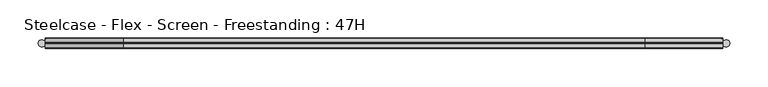
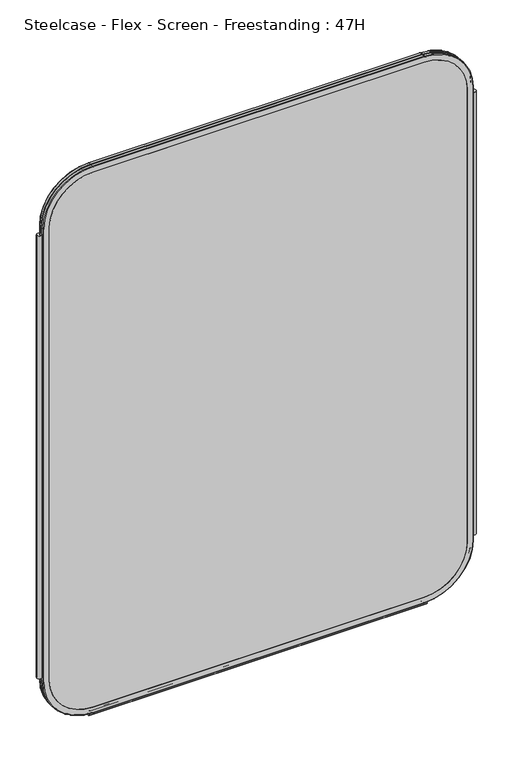
"""IFC4 building model written with IfcOpenShell, lengths in millimetres: furniture geometry, Steelcase - Flex - Screen - Freestanding : 47H."""

from ifc_helpers import new_model, si_unit, point, frame, frame_2d, origin, place, context, project, spatial, polyline, circle_curve, ellipse_curve, trimmed, segment, composite_curve, outline, extrude, source, transform, mapped, element, save
from ifc_brep_helpers import plane_surface, cylinder_surface, revolved_surface, advanced_brep


def steelcase_flex_screen_freestanding_47h_c3e81d6d(model_context):
    return source(origin(), model_context, "Body", "SolidModel", [
        extrude(outline(composite_curve([segment(trimmed(circle_curve(frame_2d((4.5307839, 0.0)), 4.572), [point((-0.0412161, 0.0))], [point((9.1027839, 0.0))], False, "CARTESIAN"), True, "CONTINUOUS"), segment(trimmed(circle_curve(frame_2d((4.5307839, 0.0)), 4.572), [point((9.1027839, 0.0))], [point((-0.0412161, 0.0))], False, "CARTESIAN"), True, "CONTINUOUS")], self_intersect=False)), frame((0.0, 0.0, 115.57), z_axis=(0.0, 0.0, 1.0), x_axis=(1.0, 0.0, 0.0)), (0.0, 0.0, 1.0), 962.66),
        extrude(outline(composite_curve([segment(trimmed(circle_curve(frame_2d((898.7749587, 0.0)), 4.572), [point((894.2029587, 0.0))], [point((903.3469587, 0.0))], False, "CARTESIAN"), True, "CONTINUOUS"), segment(trimmed(circle_curve(frame_2d((898.7749587, 0.0)), 4.572), [point((903.3469587, 0.0))], [point((894.2029587, 0.0))], False, "CARTESIAN"), True, "CONTINUOUS")], self_intersect=False)), frame((0.0, 0.0, 115.57), z_axis=(0.0, 0.0, 1.0), x_axis=(1.0, 0.0, 0.0)), (0.0, 0.0, 1.0), 962.66),
        extrude(outline(composite_curve([segment(trimmed(circle_curve(frame_2d((3.5, 2.4751953)), 2.5), [point((3.5, 4.9751953))], [point((1.4656663, 1.0220998))], False, "CARTESIAN"), True, "CONTINUOUS"), segment(trimmed(circle_curve(frame_2d((0.0, -0.0248047)), 1.8011626), [point((1.4656663, 1.0220998))], [point((-1.4656663, 1.0220998))], True, "CARTESIAN"), True, "CONTINUOUS"), segment(trimmed(circle_curve(frame_2d((-3.5, 2.4751953)), 2.5), [point((-1.4656663, 1.0220998))], [point((-3.5, 4.9751953))], False, "CARTESIAN"), True, "CONTINUOUS"), segment(trimmed(circle_curve(frame_2d((-3.5, 4.4751953)), 0.5), [point((-3.5, 4.9751953))], [point((-3.5, 3.9751953))], False, "CARTESIAN"), True, "CONTINUOUS"), segment(trimmed(circle_curve(frame_2d((-3.5, 2.4751953)), 1.5), [point((-3.5, 3.9751953))], [point((-2.3025096, 1.5718589))], True, "CARTESIAN"), True, "CONTINUOUS"), segment(trimmed(circle_curve(frame_2d((-10.3325937, 7.629417)), 10.0586411), [point((-2.3025096, 1.5718589))], [point((-0.714976, 4.6836248))], True, "CARTESIAN"), True, "CONTINUOUS"), segment(trimmed(circle_curve(frame_2d((0.0, 4.4646339)), 0.7477618), [point((-0.714976, 4.6836248))], [point((0.714976, 4.6836248))], False, "CARTESIAN"), True, "CONTINUOUS"), segment(trimmed(circle_curve(frame_2d((10.3325937, 7.629417)), 10.0586411), [point((0.714976, 4.6836248))], [point((2.3025096, 1.5718589))], True, "CARTESIAN"), True, "CONTINUOUS"), segment(trimmed(circle_curve(frame_2d((3.5, 2.4751953)), 1.5), [point((2.3025096, 1.5718589))], [point((3.5, 3.9751953))], True, "CARTESIAN"), True, "CONTINUOUS"), segment(trimmed(circle_curve(frame_2d((3.5, 4.4751953)), 0.5), [point((3.5, 3.9751953))], [point((3.5, 4.9751953))], False, "CARTESIAN"), True, "CONTINUOUS")], self_intersect=False)), frame((104.1640108, 0.0, 0.0), z_axis=(1.0, 0.0, 0.0), x_axis=(0.0, 1.0, 0.0)), (0.0, 0.0, 1.0), 694.9777209),
        advanced_brep(
        [(9.9273521, 0.0, 1092.2), (9.9273521, 0.0, 106.5996464), (110.7653521, 0.0, 5.7616464), (792.5652086, 0.0, 5.7616464), (893.4032086, 0.0, 106.5996464), (893.4032086, 0.0, 1092.2), (792.5652086, 0.0, 1193.038), (110.7653521, 0.0, 1193.038), (792.5652086, 0.0, 17.6996464), (110.7653521, 0.0, 17.6996464), (21.8653521, 0.0, 106.5996464), (21.8653521, 0.0, 1092.2), (110.7653521, 0.0, 1181.1), (792.5652086, 0.0, 1181.1), (881.4652086, 0.0, 1092.2), (881.4652086, 0.0, 106.5996464), (110.7653521, 0.762, 1193.8), (9.1653521, 0.762, 1092.2), (110.7653521, 6.096, 1193.8), (9.1653521, 6.096, 1092.2), (110.7653521, 6.858, 1193.038), (9.9273521, 6.858, 1092.2), (21.8653521, 6.858, 1092.2), (110.7653521, 6.858, 1181.1), (792.5652086, 0.762, 1193.8), (792.5652086, 6.096, 1193.8), (792.5652086, 6.858, 1193.038), (792.5652086, 6.858, 1181.1), (894.1652086, 0.762, 1092.2), (894.1652086, 6.096, 1092.2), (893.4032086, 6.858, 1092.2), (881.4652086, 6.858, 1092.2), (894.1652086, 0.762, 106.5996464), (894.1652086, 6.096, 106.5996464), (893.4032086, 6.858, 106.5996464), (881.4652086, 6.858, 106.5996464), (792.5652086, 0.762, 4.9996464), (792.5652086, 6.096, 4.9996464), (792.5652086, 6.858, 5.7616464), (792.5652086, 6.858, 17.6996464), (110.7653521, 0.762, 4.9996464), (110.7653521, 6.096, 4.9996464), (110.7653521, 6.858, 5.7616464), (110.7653521, 6.858, 17.6996464), (9.1653521, 0.762, 106.5996464), (9.1653521, 6.096, 106.5996464), (9.9273521, 6.858, 106.5996464), (21.8653521, 6.858, 106.5996464)],
        [
            (0, 1),
            (1, 2, circle_curve(frame((110.7653521, 0.0, 106.5996464), z_axis=(0.0, -1.0, 0.0), x_axis=(0.0, 0.0, -1.0)), 100.838)),
            (2, 3),
            (3, 4, circle_curve(frame((792.5652086, 0.0, 106.5996464), z_axis=(0.0, -1.0, 0.0), x_axis=(1.0, 0.0, 0.0)), 100.838)),
            (4, 5),
            (5, 6, circle_curve(frame((792.5652086, 0.0, 1092.2), z_axis=(0.0, -1.0, 0.0), x_axis=(0.0, 0.0, 1.0)), 100.838)),
            (6, 7),
            (7, 0, circle_curve(frame((110.7653521, 0.0, 1092.2), z_axis=(0.0, -1.0, 0.0), x_axis=(-1.0, 0.0, 0.0)), 100.838)),
            (8, 9),
            (9, 10, circle_curve(frame((110.7653521, 0.0, 106.5996464), z_axis=(0.0, 1.0, 0.0), x_axis=(0.0, 0.0, -1.0)), 88.9)),
            (10, 11),
            (11, 12, circle_curve(frame((110.7653521, 0.0, 1092.2), z_axis=(0.0, 1.0, 0.0), x_axis=(-1.0, 0.0, 0.0)), 88.9)),
            (12, 13),
            (13, 14, circle_curve(frame((792.5652086, 0.0, 1092.2), z_axis=(0.0, 1.0, 0.0), x_axis=(0.0, 0.0, 1.0)), 88.9)),
            (14, 15),
            (15, 8, circle_curve(frame((792.5652086, 0.0, 106.5996464), z_axis=(0.0, 1.0, 0.0), x_axis=(1.0, 0.0, 0.0)), 88.9)),
            (16, 17, circle_curve(frame((110.7653521, 0.762, 1092.2), z_axis=(0.0, -1.0, 0.0), x_axis=(-1.0, 0.0, 0.0)), 101.6)),
            (17, 0, circle_curve(frame((9.9273521, 0.762, 1092.2), z_axis=(0.0, 0.0, 1.0), x_axis=(-1.0, 0.0, 0.0)), 0.762)),
            (7, 16, circle_curve(frame((110.7653521, 0.762, 1193.038), z_axis=(-1.0, 0.0, 0.0), x_axis=(0.0, 0.0, 1.0)), 0.762)),
            (18, 19, circle_curve(frame((110.7653521, 6.096, 1092.2), z_axis=(0.0, -1.0, 0.0), x_axis=(-1.0, 0.0, 0.0)), 101.6)),
            (19, 17),
            (16, 18),
            (20, 21, circle_curve(frame((110.7653521, 6.858, 1092.2), z_axis=(0.0, -1.0, 0.0), x_axis=(-1.0, 0.0, 0.0)), 100.838)),
            (21, 19, circle_curve(frame((9.9273521, 6.096, 1092.2), z_axis=(0.0, 0.0, 1.0), x_axis=(-1.0, 0.0, 0.0)), 0.762)),
            (18, 20, circle_curve(frame((110.7653521, 6.096, 1193.038), z_axis=(-1.0, 0.0, 0.0), x_axis=(0.0, 0.0, 1.0)), 0.762)),
            (11, 22),
            (22, 23, circle_curve(frame((110.7653521, 6.858, 1092.2), z_axis=(0.0, 1.0, 0.0), x_axis=(-1.0, 0.0, 0.0)), 88.9)),
            (23, 12),
            (6, 24, circle_curve(frame((792.5652086, 0.762, 1193.038), z_axis=(-1.0, 0.0, 0.0), x_axis=(0.0, 0.0, 1.0)), 0.762)),
            (24, 16),
            (24, 25),
            (25, 18),
            (25, 26, circle_curve(frame((792.5652086, 6.096, 1193.038), z_axis=(-1.0, 0.0, 0.0), x_axis=(0.0, 0.0, 1.0)), 0.762)),
            (26, 20),
            (23, 27),
            (27, 13),
            (28, 24, circle_curve(frame((792.5652086, 0.762, 1092.2), z_axis=(0.0, -1.0, 0.0), x_axis=(0.0, 0.0, 1.0)), 101.6)),
            (5, 28, circle_curve(frame((893.4032086, 0.762, 1092.2), z_axis=(0.0, 0.0, 1.0), x_axis=(1.0, 0.0, 0.0)), 0.762)),
            (29, 25, circle_curve(frame((792.5652086, 6.096, 1092.2), z_axis=(0.0, -1.0, 0.0), x_axis=(0.0, 0.0, 1.0)), 101.6)),
            (28, 29),
            (30, 26, circle_curve(frame((792.5652086, 6.858, 1092.2), z_axis=(0.0, -1.0, 0.0), x_axis=(0.0, 0.0, 1.0)), 100.838)),
            (29, 30, circle_curve(frame((893.4032086, 6.096, 1092.2), z_axis=(0.0, 0.0, 1.0), x_axis=(1.0, 0.0, 0.0)), 0.762)),
            (27, 31, circle_curve(frame((792.5652086, 6.858, 1092.2), z_axis=(0.0, 1.0, 0.0), x_axis=(0.0, 0.0, 1.0)), 88.9)),
            (31, 14),
            (4, 32, circle_curve(frame((893.4032086, 0.762, 106.5996464), z_axis=(0.0, 0.0, 1.0), x_axis=(1.0, 0.0, 0.0)), 0.762)),
            (32, 28),
            (32, 33),
            (33, 29),
            (33, 34, circle_curve(frame((893.4032086, 6.096, 106.5996464), z_axis=(0.0, 0.0, 1.0), x_axis=(1.0, 0.0, 0.0)), 0.762)),
            (34, 30),
            (31, 35),
            (35, 15),
            (36, 32, circle_curve(frame((792.5652086, 0.762, 106.5996464), z_axis=(0.0, -1.0, 0.0), x_axis=(1.0, 0.0, 0.0)), 101.6)),
            (3, 36, circle_curve(frame((792.5652086, 0.762, 5.7616464), z_axis=(1.0, 0.0, 0.0), x_axis=(0.0, 0.0, -1.0)), 0.762)),
            (37, 33, circle_curve(frame((792.5652086, 6.096, 106.5996464), z_axis=(0.0, -1.0, 0.0), x_axis=(1.0, 0.0, 0.0)), 101.6)),
            (36, 37),
            (38, 34, circle_curve(frame((792.5652086, 6.858, 106.5996464), z_axis=(0.0, -1.0, 0.0), x_axis=(1.0, 0.0, 0.0)), 100.838)),
            (37, 38, circle_curve(frame((792.5652086, 6.096, 5.7616464), z_axis=(1.0, 0.0, 0.0), x_axis=(0.0, 0.0, -1.0)), 0.762)),
            (35, 39, circle_curve(frame((792.5652086, 6.858, 106.5996464), z_axis=(0.0, 1.0, 0.0), x_axis=(1.0, 0.0, 0.0)), 88.9)),
            (39, 8),
            (2, 40, circle_curve(frame((110.7653521, 0.762, 5.7616464), z_axis=(1.0, 0.0, 0.0), x_axis=(0.0, 0.0, -1.0)), 0.762)),
            (40, 36),
            (40, 41),
            (41, 37),
            (41, 42, circle_curve(frame((110.7653521, 6.096, 5.7616464), z_axis=(1.0, 0.0, 0.0), x_axis=(0.0, 0.0, -1.0)), 0.762)),
            (42, 38),
            (39, 43),
            (43, 9),
            (44, 40, circle_curve(frame((110.7653521, 0.762, 106.5996464), z_axis=(0.0, -1.0, 0.0), x_axis=(0.0, 0.0, -1.0)), 101.6)),
            (1, 44, circle_curve(frame((9.9273521, 0.762, 106.5996464), z_axis=(0.0, 0.0, -1.0), x_axis=(-1.0, 0.0, 0.0)), 0.762)),
            (45, 41, circle_curve(frame((110.7653521, 6.096, 106.5996464), z_axis=(0.0, -1.0, 0.0), x_axis=(0.0, 0.0, -1.0)), 101.6)),
            (44, 45),
            (46, 42, circle_curve(frame((110.7653521, 6.858, 106.5996464), z_axis=(0.0, -1.0, 0.0), x_axis=(0.0, 0.0, -1.0)), 100.838)),
            (45, 46, circle_curve(frame((9.9273521, 6.096, 106.5996464), z_axis=(0.0, 0.0, -1.0), x_axis=(-1.0, 0.0, 0.0)), 0.762)),
            (43, 47, circle_curve(frame((110.7653521, 6.858, 106.5996464), z_axis=(0.0, 1.0, 0.0), x_axis=(0.0, 0.0, -1.0)), 88.9)),
            (47, 10),
            (17, 44),
            (19, 45),
            (21, 46),
            (22, 47),
        ],
        [
            plane_surface(frame((21.8653521, 0.0, 106.5996464), z_axis=(0.0, -1.0, 0.0), x_axis=(0.0, 0.0, 1.0))),
            revolved_surface(trimmed(ellipse_curve(frame((9.9273521, 0.762, 1092.2), z_axis=(0.0, 0.0, -1.0), x_axis=(-1.0, 0.0, 0.0)), 0.762, 0.762), [point((9.9273521, 0.0, 1092.2))], [point((9.1653521, 0.762, 1092.2))], True, "CARTESIAN"), (110.7653521, 0.0, 1092.2), (0.0, 1.0, 0.0)),
            cylinder_surface(frame((110.7653521, 0.0, 1092.2), z_axis=(0.0, 1.0, 0.0), x_axis=(-1.0, 0.0, 0.0)), 101.6),
            revolved_surface(trimmed(ellipse_curve(frame((9.9273521, 6.096, 1092.2), z_axis=(0.0, 0.0, -1.0), x_axis=(-1.0, 0.0, 0.0)), 0.762, 0.762), [point((9.1653521, 6.096, 1092.2))], [point((9.9273521, 6.858, 1092.2))], True, "CARTESIAN"), (110.7653521, 0.0, 1092.2), (0.0, 1.0, 0.0)),
            revolved_surface(polyline([(21.865352099999996, 6.858, 1092.2), (21.865352099999996, 0.0, 1092.2)]), (110.7653521, 0.0, 1092.2), (0.0, 1.0, 0.0)),
            cylinder_surface(frame((110.7653521, 0.762, 1193.038), z_axis=(-1.0, 0.0, 0.0), x_axis=(0.0, 0.0, 1.0)), 0.762),
            plane_surface(frame((110.7653521, 0.762, 1193.8), z_axis=(0.0, 0.0, 1.0), x_axis=(1.0, 0.0, 0.0))),
            cylinder_surface(frame((110.7653521, 6.096, 1193.038), z_axis=(-1.0, 0.0, 0.0), x_axis=(0.0, 0.0, 1.0)), 0.762),
            plane_surface(frame((110.7653521, 6.858, 1181.1), z_axis=(0.0, 0.0, -1.0), x_axis=(1.0, 0.0, 0.0))),
            revolved_surface(trimmed(ellipse_curve(frame((792.5652086, 0.762, 1193.038), z_axis=(-1.0, 0.0, 0.0), x_axis=(0.0, 0.0, 1.0)), 0.762, 0.762), [point((792.5652086, 0.0, 1193.038))], [point((792.5652086, 0.762, 1193.8))], True, "CARTESIAN"), (792.5652086, 0.0, 1092.2), (0.0, 1.0, 0.0)),
            cylinder_surface(frame((792.5652086, 0.0, 1092.2), z_axis=(0.0, 1.0, 0.0), x_axis=(0.0, 0.0, 1.0)), 101.6),
            revolved_surface(trimmed(ellipse_curve(frame((792.5652086, 6.096, 1193.038), z_axis=(-1.0, 0.0, 0.0), x_axis=(0.0, 0.0, 1.0)), 0.762, 0.762), [point((792.5652086, 6.096, 1193.8))], [point((792.5652086, 6.858, 1193.038))], True, "CARTESIAN"), (792.5652086, 0.0, 1092.2), (0.0, 1.0, 0.0)),
            revolved_surface(polyline([(792.5652086, 6.858, 1181.1000000000001), (792.5652086, 0.0, 1181.1000000000001)]), (792.5652086, 0.0, 1092.2), (0.0, 1.0, 0.0)),
            cylinder_surface(frame((893.4032086, 0.762, 1092.2), z_axis=(0.0, 0.0, 1.0), x_axis=(1.0, 0.0, 0.0)), 0.762),
            plane_surface(frame((894.1652086, 0.762, 1092.2), z_axis=(1.0, 0.0, 0.0), x_axis=(0.0, 0.0, -1.0))),
            cylinder_surface(frame((893.4032086, 6.096, 1092.2), z_axis=(0.0, 0.0, 1.0), x_axis=(1.0, 0.0, 0.0)), 0.762),
            plane_surface(frame((881.4652086, 6.858, 1092.2), z_axis=(-1.0, 0.0, 0.0), x_axis=(0.0, 0.0, -1.0))),
            revolved_surface(trimmed(ellipse_curve(frame((893.4032086, 0.762, 106.5996464), z_axis=(0.0, 0.0, 1.0), x_axis=(1.0, 0.0, 0.0)), 0.762, 0.762), [point((893.4032086, 0.0, 106.5996464))], [point((894.1652086, 0.762, 106.5996464))], True, "CARTESIAN"), (792.5652086, 0.0, 106.5996464), (0.0, 1.0, 0.0)),
            cylinder_surface(frame((792.5652086, 0.0, 106.5996464), z_axis=(0.0, 1.0, 0.0), x_axis=(1.0, 0.0, 0.0)), 101.6),
            revolved_surface(trimmed(ellipse_curve(frame((893.4032086, 6.096, 106.5996464), z_axis=(0.0, 0.0, 1.0), x_axis=(1.0, 0.0, 0.0)), 0.762, 0.762), [point((894.1652086, 6.096, 106.5996464))], [point((893.4032086, 6.858, 106.5996464))], True, "CARTESIAN"), (792.5652086, 0.0, 106.5996464), (0.0, 1.0, 0.0)),
            revolved_surface(polyline([(881.4652086, 6.858, 106.5996464), (881.4652086, 0.0, 106.5996464)]), (792.5652086, 0.0, 106.5996464), (0.0, 1.0, 0.0)),
            cylinder_surface(frame((792.5652086, 0.762, 5.7616464), z_axis=(1.0, 0.0, 0.0), x_axis=(0.0, 0.0, -1.0)), 0.762),
            plane_surface(frame((792.5652086, 0.762, 4.9996464), z_axis=(0.0, 0.0, -1.0), x_axis=(-1.0, 0.0, 0.0))),
            cylinder_surface(frame((792.5652086, 6.096, 5.7616464), z_axis=(1.0, 0.0, 0.0), x_axis=(0.0, 0.0, -1.0)), 0.762),
            plane_surface(frame((792.5652086, 6.858, 17.6996464), z_axis=(0.0, 0.0, 1.0), x_axis=(-1.0, 0.0, 0.0))),
            revolved_surface(trimmed(ellipse_curve(frame((110.7653521, 0.762, 5.7616464), z_axis=(1.0, 0.0, 0.0), x_axis=(0.0, 0.0, -1.0)), 0.762, 0.762), [point((110.7653521, 0.0, 5.7616464))], [point((110.7653521, 0.762, 4.9996464))], True, "CARTESIAN"), (110.7653521, 0.0, 106.5996464), (0.0, 1.0, 0.0)),
            cylinder_surface(frame((110.7653521, 0.0, 106.5996464), z_axis=(0.0, 1.0, 0.0), x_axis=(0.0, 0.0, -1.0)), 101.6),
            revolved_surface(trimmed(ellipse_curve(frame((110.7653521, 6.096, 5.7616464), z_axis=(1.0, 0.0, 0.0), x_axis=(0.0, 0.0, -1.0)), 0.762, 0.762), [point((110.7653521, 6.096, 4.9996464))], [point((110.7653521, 6.858, 5.7616464))], True, "CARTESIAN"), (110.7653521, 0.0, 106.5996464), (0.0, 1.0, 0.0)),
            revolved_surface(polyline([(110.7653521, 6.858, 17.699646399999992), (110.7653521, 0.0, 17.699646399999992)]), (110.7653521, 0.0, 106.5996464), (0.0, 1.0, 0.0)),
            cylinder_surface(frame((9.9273521, 0.762, 106.5996464), z_axis=(0.0, 0.0, -1.0), x_axis=(-1.0, 0.0, 0.0)), 0.762),
            plane_surface(frame((9.1653521, 0.762, 106.5996464), z_axis=(-1.0, 0.0, 0.0), x_axis=(0.0, 0.0, 1.0))),
            cylinder_surface(frame((9.9273521, 6.096, 106.5996464), z_axis=(0.0, 0.0, -1.0), x_axis=(-1.0, 0.0, 0.0)), 0.762),
            plane_surface(frame((9.9273521, 6.858, 106.5996464), z_axis=(0.0, 1.0, 0.0), x_axis=(0.0, 0.0, 1.0))),
            plane_surface(frame((21.8653521, 6.858, 106.5996464), z_axis=(1.0, 0.0, 0.0), x_axis=(0.0, 0.0, 1.0))),
        ],
        [
            (0, [[1, 2, 3, 4, 5, 6, 7, 8], [9, 10, 11, 12, 13, 14, 15, 16]]),
            (1, [[17, 18, -8, 19]]),
            (2, [[20, 21, -17, 22]]),
            (3, [[23, 24, -20, 25]]),
            (4, [[-12, 26, 27, 28]]),
            (5, [[-19, -7, 29, 30]]),
            (6, [[-22, -30, 31, 32]]),
            (7, [[-25, -32, 33, 34]]),
            (8, [[-28, 35, 36, -13]]),
            (9, [[37, -29, -6, 38]]),
            (10, [[39, -31, -37, 40]]),
            (11, [[41, -33, -39, 42]]),
            (12, [[-14, -36, 43, 44]]),
            (13, [[-38, -5, 45, 46]]),
            (14, [[-40, -46, 47, 48]]),
            (15, [[-42, -48, 49, 50]]),
            (16, [[-44, 51, 52, -15]]),
            (17, [[53, -45, -4, 54]]),
            (18, [[55, -47, -53, 56]]),
            (19, [[57, -49, -55, 58]]),
            (20, [[-16, -52, 59, 60]]),
            (21, [[-54, -3, 61, 62]]),
            (22, [[-56, -62, 63, 64]]),
            (23, [[-58, -64, 65, 66]]),
            (24, [[-60, 67, 68, -9]]),
            (25, [[69, -61, -2, 70]]),
            (26, [[71, -63, -69, 72]]),
            (27, [[73, -65, -71, 74]]),
            (28, [[-10, -68, 75, 76]]),
            (29, [[-70, -1, -18, 77]]),
            (30, [[-72, -77, -21, 78]]),
            (31, [[-74, -78, -24, 79]]),
            (32, [[-66, -73, -79, -23, -34, -41, -50, -57], [80, -75, -67, -59, -51, -43, -35, -27]]),
            (33, [[-76, -80, -26, -11]]),
        ],
    ),
        extrude(outline(composite_curve([segment(polyline([(1181.1, 792.5652086), (1181.1, 110.7653521)]), True, "CONTINUOUS"), segment(trimmed(circle_curve(frame_2d((1092.2, 110.7653521)), 88.9), [point((1181.1, 110.7653521))], [point((1092.2, 21.8653521))], False, "CARTESIAN"), True, "CONTINUOUS"), segment(polyline([(1092.2, 21.8653521), (106.5996464, 21.8653521)]), True, "CONTINUOUS"), segment(trimmed(circle_curve(frame_2d((106.5996464, 110.7653521)), 88.9), [point((106.5996464, 21.8653521))], [point((17.6996464, 110.7653521))], False, "CARTESIAN"), True, "CONTINUOUS"), segment(polyline([(17.6996464, 110.7653521), (17.6996464, 792.5652086)]), True, "CONTINUOUS"), segment(trimmed(circle_curve(frame_2d((106.5996464, 792.5652086)), 88.9), [point((17.6996464, 792.5652086))], [point((106.5996464, 881.4652086))], False, "CARTESIAN"), True, "CONTINUOUS"), segment(polyline([(106.5996464, 881.4652086), (1092.2, 881.4652086)]), True, "CONTINUOUS"), segment(trimmed(circle_curve(frame_2d((1092.2, 792.5652086)), 88.9), [point((1092.2, 881.4652086))], [point((1181.1, 792.5652086))], False, "CARTESIAN"), True, "CONTINUOUS")], self_intersect=False)), frame((0.0, 0.0, 0.0), z_axis=(0.0, 1.0, 0.0), x_axis=(0.0, 0.0, 1.0)), (0.0, 0.0, 1.0), 6.858),
        advanced_brep(
        [(110.7653521, -6.858, 1181.1), (21.8653521, -6.858, 1092.2), (21.8653521, 0.0, 1092.2), (110.7653521, 0.0, 1181.1), (110.7653521, -6.096, 1193.8), (9.1653521, -6.096, 1092.2), (9.9273521, -6.858, 1092.2), (110.7653521, -6.858, 1193.038), (110.7653521, -0.762, 1193.8), (9.1653521, -0.762, 1092.2), (110.7653521, 0.0, 1193.038), (9.9273521, 0.0, 1092.2), (792.5652086, 0.0, 1181.1), (792.5652086, -6.858, 1181.1), (792.5652086, -6.858, 1193.038), (792.5652086, -6.096, 1193.8), (792.5652086, -0.762, 1193.8), (792.5652086, 0.0, 1193.038), (881.4652086, -6.858, 1092.2), (881.4652086, 0.0, 1092.2), (894.1652086, -6.096, 1092.2), (893.4032086, -6.858, 1092.2), (894.1652086, -0.762, 1092.2), (893.4032086, 0.0, 1092.2), (881.4652086, 0.0, 106.5996464), (881.4652086, -6.858, 106.5996464), (893.4032086, -6.858, 106.5996464), (894.1652086, -6.096, 106.5996464), (894.1652086, -0.762, 106.5996464), (893.4032086, 0.0, 106.5996464), (792.5652086, -6.858, 17.6996464), (792.5652086, 0.0, 17.6996464), (792.5652086, -6.096, 4.9996464), (792.5652086, -6.858, 5.7616464), (792.5652086, -0.762, 4.9996464), (792.5652086, 0.0, 5.7616464), (110.7653521, 0.0, 17.6996464), (110.7653521, -6.858, 17.6996464), (110.7653521, -6.858, 5.7616464), (110.7653521, -6.096, 4.9996464), (110.7653521, -0.762, 4.9996464), (110.7653521, 0.0, 5.7616464), (21.8653521, -6.858, 106.5996464), (21.8653521, 0.0, 106.5996464), (9.1653521, -6.096, 106.5996464), (9.9273521, -6.858, 106.5996464), (9.1653521, -0.762, 106.5996464), (9.9273521, 0.0, 106.5996464)],
        [
            (0, 1, circle_curve(frame((110.7653521, -6.858, 1092.2), z_axis=(0.0, -1.0, 0.0), x_axis=(-1.0, 0.0, 0.0)), 88.9)),
            (1, 2),
            (2, 3, circle_curve(frame((110.7653521, 0.0, 1092.2), z_axis=(0.0, 1.0, 0.0), x_axis=(-1.0, 0.0, 0.0)), 88.9)),
            (3, 0),
            (4, 5, circle_curve(frame((110.7653521, -6.096, 1092.2), z_axis=(0.0, -1.0, 0.0), x_axis=(-1.0, 0.0, 0.0)), 101.6)),
            (5, 6, circle_curve(frame((9.9273521, -6.096, 1092.2), z_axis=(0.0, 0.0, 1.0), x_axis=(-1.0, 0.0, 0.0)), 0.762)),
            (6, 7, circle_curve(frame((110.7653521, -6.858, 1092.2), z_axis=(0.0, 1.0, 0.0), x_axis=(-1.0, 0.0, 0.0)), 100.838)),
            (7, 4, circle_curve(frame((110.7653521, -6.096, 1193.038), z_axis=(-1.0, 0.0, 0.0), x_axis=(0.0, 0.0, 1.0)), 0.762)),
            (8, 9, circle_curve(frame((110.7653521, -0.762, 1092.2), z_axis=(0.0, -1.0, 0.0), x_axis=(-1.0, 0.0, 0.0)), 101.6)),
            (9, 5),
            (4, 8),
            (10, 11, circle_curve(frame((110.7653521, 0.0, 1092.2), z_axis=(0.0, -1.0, 0.0), x_axis=(-1.0, 0.0, 0.0)), 100.838)),
            (11, 9, circle_curve(frame((9.9273521, -0.762, 1092.2), z_axis=(0.0, 0.0, 1.0), x_axis=(-1.0, 0.0, 0.0)), 0.762)),
            (8, 10, circle_curve(frame((110.7653521, -0.762, 1193.038), z_axis=(-1.0, 0.0, 0.0), x_axis=(0.0, 0.0, 1.0)), 0.762)),
            (3, 12),
            (12, 13),
            (13, 0),
            (7, 14),
            (14, 15, circle_curve(frame((792.5652086, -6.096, 1193.038), z_axis=(-1.0, 0.0, 0.0), x_axis=(0.0, 0.0, 1.0)), 0.762)),
            (15, 4),
            (15, 16),
            (16, 8),
            (16, 17, circle_curve(frame((792.5652086, -0.762, 1193.038), z_axis=(-1.0, 0.0, 0.0), x_axis=(0.0, 0.0, 1.0)), 0.762)),
            (17, 10),
            (18, 13, circle_curve(frame((792.5652086, -6.858, 1092.2), z_axis=(0.0, -1.0, 0.0), x_axis=(0.0, 0.0, 1.0)), 88.9)),
            (12, 19, circle_curve(frame((792.5652086, 0.0, 1092.2), z_axis=(0.0, 1.0, 0.0), x_axis=(0.0, 0.0, 1.0)), 88.9)),
            (19, 18),
            (20, 15, circle_curve(frame((792.5652086, -6.096, 1092.2), z_axis=(0.0, -1.0, 0.0), x_axis=(0.0, 0.0, 1.0)), 101.6)),
            (14, 21, circle_curve(frame((792.5652086, -6.858, 1092.2), z_axis=(0.0, 1.0, 0.0), x_axis=(0.0, 0.0, 1.0)), 100.838)),
            (21, 20, circle_curve(frame((893.4032086, -6.096, 1092.2), z_axis=(0.0, 0.0, 1.0), x_axis=(1.0, 0.0, 0.0)), 0.762)),
            (22, 16, circle_curve(frame((792.5652086, -0.762, 1092.2), z_axis=(0.0, -1.0, 0.0), x_axis=(0.0, 0.0, 1.0)), 101.6)),
            (20, 22),
            (23, 17, circle_curve(frame((792.5652086, 0.0, 1092.2), z_axis=(0.0, -1.0, 0.0), x_axis=(0.0, 0.0, 1.0)), 100.838)),
            (22, 23, circle_curve(frame((893.4032086, -0.762, 1092.2), z_axis=(0.0, 0.0, 1.0), x_axis=(1.0, 0.0, 0.0)), 0.762)),
            (19, 24),
            (24, 25),
            (25, 18),
            (21, 26),
            (26, 27, circle_curve(frame((893.4032086, -6.096, 106.5996464), z_axis=(0.0, 0.0, 1.0), x_axis=(1.0, 0.0, 0.0)), 0.762)),
            (27, 20),
            (27, 28),
            (28, 22),
            (28, 29, circle_curve(frame((893.4032086, -0.762, 106.5996464), z_axis=(0.0, 0.0, 1.0), x_axis=(1.0, 0.0, 0.0)), 0.762)),
            (29, 23),
            (30, 25, circle_curve(frame((792.5652086, -6.858, 106.5996464), z_axis=(0.0, -1.0, 0.0), x_axis=(1.0, 0.0, 0.0)), 88.9)),
            (24, 31, circle_curve(frame((792.5652086, 0.0, 106.5996464), z_axis=(0.0, 1.0, 0.0), x_axis=(1.0, 0.0, 0.0)), 88.9)),
            (31, 30),
            (32, 27, circle_curve(frame((792.5652086, -6.096, 106.5996464), z_axis=(0.0, -1.0, 0.0), x_axis=(1.0, 0.0, 0.0)), 101.6)),
            (26, 33, circle_curve(frame((792.5652086, -6.858, 106.5996464), z_axis=(0.0, 1.0, 0.0), x_axis=(1.0, 0.0, 0.0)), 100.838)),
            (33, 32, circle_curve(frame((792.5652086, -6.096, 5.7616464), z_axis=(1.0, 0.0, 0.0), x_axis=(0.0, 0.0, -1.0)), 0.762)),
            (34, 28, circle_curve(frame((792.5652086, -0.762, 106.5996464), z_axis=(0.0, -1.0, 0.0), x_axis=(1.0, 0.0, 0.0)), 101.6)),
            (32, 34),
            (35, 29, circle_curve(frame((792.5652086, 0.0, 106.5996464), z_axis=(0.0, -1.0, 0.0), x_axis=(1.0, 0.0, 0.0)), 100.838)),
            (34, 35, circle_curve(frame((792.5652086, -0.762, 5.7616464), z_axis=(1.0, 0.0, 0.0), x_axis=(0.0, 0.0, -1.0)), 0.762)),
            (31, 36),
            (36, 37),
            (37, 30),
            (33, 38),
            (38, 39, circle_curve(frame((110.7653521, -6.096, 5.7616464), z_axis=(1.0, 0.0, 0.0), x_axis=(0.0, 0.0, -1.0)), 0.762)),
            (39, 32),
            (39, 40),
            (40, 34),
            (40, 41, circle_curve(frame((110.7653521, -0.762, 5.7616464), z_axis=(1.0, 0.0, 0.0), x_axis=(0.0, 0.0, -1.0)), 0.762)),
            (41, 35),
            (42, 37, circle_curve(frame((110.7653521, -6.858, 106.5996464), z_axis=(0.0, -1.0, 0.0), x_axis=(0.0, 0.0, -1.0)), 88.9)),
            (36, 43, circle_curve(frame((110.7653521, 0.0, 106.5996464), z_axis=(0.0, 1.0, 0.0), x_axis=(0.0, 0.0, -1.0)), 88.9)),
            (43, 42),
            (44, 39, circle_curve(frame((110.7653521, -6.096, 106.5996464), z_axis=(0.0, -1.0, 0.0), x_axis=(0.0, 0.0, -1.0)), 101.6)),
            (38, 45, circle_curve(frame((110.7653521, -6.858, 106.5996464), z_axis=(0.0, 1.0, 0.0), x_axis=(0.0, 0.0, -1.0)), 100.838)),
            (45, 44, circle_curve(frame((9.9273521, -6.096, 106.5996464), z_axis=(0.0, 0.0, -1.0), x_axis=(-1.0, 0.0, 0.0)), 0.762)),
            (46, 40, circle_curve(frame((110.7653521, -0.762, 106.5996464), z_axis=(0.0, -1.0, 0.0), x_axis=(0.0, 0.0, -1.0)), 101.6)),
            (44, 46),
            (47, 41, circle_curve(frame((110.7653521, 0.0, 106.5996464), z_axis=(0.0, -1.0, 0.0), x_axis=(0.0, 0.0, -1.0)), 100.838)),
            (46, 47, circle_curve(frame((9.9273521, -0.762, 106.5996464), z_axis=(0.0, 0.0, -1.0), x_axis=(-1.0, 0.0, 0.0)), 0.762)),
            (43, 2),
            (1, 42),
            (6, 45),
            (5, 44),
            (9, 46),
            (11, 47),
        ],
        [
            revolved_surface(polyline([(21.865352099999996, 0.0, 1092.2), (21.865352099999996, -6.858, 1092.2)]), (110.7653521, 0.0, 1092.2), (0.0, 1.0, 0.0)),
            revolved_surface(trimmed(ellipse_curve(frame((9.9273521, -6.096, 1092.2), z_axis=(0.0, 0.0, -1.0), x_axis=(-1.0, 0.0, 0.0)), 0.762, 0.762), [point((9.9273521, -6.858, 1092.2))], [point((9.1653521, -6.096, 1092.2))], True, "CARTESIAN"), (110.7653521, 0.0, 1092.2), (0.0, 1.0, 0.0)),
            cylinder_surface(frame((110.7653521, 0.0, 1092.2), z_axis=(0.0, 1.0, 0.0), x_axis=(-1.0, 0.0, 0.0)), 101.6),
            revolved_surface(trimmed(ellipse_curve(frame((9.9273521, -0.762, 1092.2), z_axis=(0.0, 0.0, -1.0), x_axis=(-1.0, 0.0, 0.0)), 0.762, 0.762), [point((9.1653521, -0.762, 1092.2))], [point((9.9273521, 0.0, 1092.2))], True, "CARTESIAN"), (110.7653521, 0.0, 1092.2), (0.0, 1.0, 0.0)),
            plane_surface(frame((110.7653521, 0.0, 1181.1), z_axis=(0.0, 0.0, -1.0), x_axis=(1.0, 0.0, 0.0))),
            cylinder_surface(frame((110.7653521, -6.096, 1193.038), z_axis=(-1.0, 0.0, 0.0), x_axis=(0.0, 0.0, 1.0)), 0.762),
            plane_surface(frame((110.7653521, -6.096, 1193.8), z_axis=(0.0, 0.0, 1.0), x_axis=(1.0, 0.0, 0.0))),
            cylinder_surface(frame((110.7653521, -0.762, 1193.038), z_axis=(-1.0, 0.0, 0.0), x_axis=(0.0, 0.0, 1.0)), 0.762),
            revolved_surface(polyline([(792.5652086, 0.0, 1181.1000000000001), (792.5652086, -6.858, 1181.1000000000001)]), (792.5652086, 0.0, 1092.2), (0.0, 1.0, 0.0)),
            revolved_surface(trimmed(ellipse_curve(frame((792.5652086, -6.096, 1193.038), z_axis=(-1.0, 0.0, 0.0), x_axis=(0.0, 0.0, 1.0)), 0.762, 0.762), [point((792.5652086, -6.858, 1193.038))], [point((792.5652086, -6.096, 1193.8))], True, "CARTESIAN"), (792.5652086, 0.0, 1092.2), (0.0, 1.0, 0.0)),
            cylinder_surface(frame((792.5652086, 0.0, 1092.2), z_axis=(0.0, 1.0, 0.0), x_axis=(0.0, 0.0, 1.0)), 101.6),
            revolved_surface(trimmed(ellipse_curve(frame((792.5652086, -0.762, 1193.038), z_axis=(-1.0, 0.0, 0.0), x_axis=(0.0, 0.0, 1.0)), 0.762, 0.762), [point((792.5652086, -0.762, 1193.8))], [point((792.5652086, 0.0, 1193.038))], True, "CARTESIAN"), (792.5652086, 0.0, 1092.2), (0.0, 1.0, 0.0)),
            plane_surface(frame((881.4652086, 0.0, 1092.2), z_axis=(-1.0, 0.0, 0.0), x_axis=(0.0, 0.0, -1.0))),
            cylinder_surface(frame((893.4032086, -6.096, 1092.2), z_axis=(0.0, 0.0, 1.0), x_axis=(1.0, 0.0, 0.0)), 0.762),
            plane_surface(frame((894.1652086, -6.096, 1092.2), z_axis=(1.0, 0.0, 0.0), x_axis=(0.0, 0.0, -1.0))),
            cylinder_surface(frame((893.4032086, -0.762, 1092.2), z_axis=(0.0, 0.0, 1.0), x_axis=(1.0, 0.0, 0.0)), 0.762),
            revolved_surface(polyline([(881.4652086, 0.0, 106.5996464), (881.4652086, -6.858, 106.5996464)]), (792.5652086, 0.0, 106.5996464), (0.0, 1.0, 0.0)),
            revolved_surface(trimmed(ellipse_curve(frame((893.4032086, -6.096, 106.5996464), z_axis=(0.0, 0.0, 1.0), x_axis=(1.0, 0.0, 0.0)), 0.762, 0.762), [point((893.4032086, -6.858, 106.5996464))], [point((894.1652086, -6.096, 106.5996464))], True, "CARTESIAN"), (792.5652086, 0.0, 106.5996464), (0.0, 1.0, 0.0)),
            cylinder_surface(frame((792.5652086, 0.0, 106.5996464), z_axis=(0.0, 1.0, 0.0), x_axis=(1.0, 0.0, 0.0)), 101.6),
            revolved_surface(trimmed(ellipse_curve(frame((893.4032086, -0.762, 106.5996464), z_axis=(0.0, 0.0, 1.0), x_axis=(1.0, 0.0, 0.0)), 0.762, 0.762), [point((894.1652086, -0.762, 106.5996464))], [point((893.4032086, 0.0, 106.5996464))], True, "CARTESIAN"), (792.5652086, 0.0, 106.5996464), (0.0, 1.0, 0.0)),
            plane_surface(frame((792.5652086, 0.0, 17.6996464), z_axis=(0.0, 0.0, 1.0), x_axis=(-1.0, 0.0, 0.0))),
            cylinder_surface(frame((792.5652086, -6.096, 5.7616464), z_axis=(1.0, 0.0, 0.0), x_axis=(0.0, 0.0, -1.0)), 0.762),
            plane_surface(frame((792.5652086, -6.096, 4.9996464), z_axis=(0.0, 0.0, -1.0), x_axis=(-1.0, 0.0, 0.0))),
            cylinder_surface(frame((792.5652086, -0.762, 5.7616464), z_axis=(1.0, 0.0, 0.0), x_axis=(0.0, 0.0, -1.0)), 0.762),
            revolved_surface(polyline([(110.7653521, 0.0, 17.699646399999992), (110.7653521, -6.858, 17.699646399999992)]), (110.7653521, 0.0, 106.5996464), (0.0, 1.0, 0.0)),
            revolved_surface(trimmed(ellipse_curve(frame((110.7653521, -6.096, 5.7616464), z_axis=(1.0, 0.0, 0.0), x_axis=(0.0, 0.0, -1.0)), 0.762, 0.762), [point((110.7653521, -6.858, 5.7616464))], [point((110.7653521, -6.096, 4.9996464))], True, "CARTESIAN"), (110.7653521, 0.0, 106.5996464), (0.0, 1.0, 0.0)),
            cylinder_surface(frame((110.7653521, 0.0, 106.5996464), z_axis=(0.0, 1.0, 0.0), x_axis=(0.0, 0.0, -1.0)), 101.6),
            revolved_surface(trimmed(ellipse_curve(frame((110.7653521, -0.762, 5.7616464), z_axis=(1.0, 0.0, 0.0), x_axis=(0.0, 0.0, -1.0)), 0.762, 0.762), [point((110.7653521, -0.762, 4.9996464))], [point((110.7653521, 0.0, 5.7616464))], True, "CARTESIAN"), (110.7653521, 0.0, 106.5996464), (0.0, 1.0, 0.0)),
            plane_surface(frame((21.8653521, 0.0, 106.5996464), z_axis=(1.0, 0.0, 0.0), x_axis=(0.0, 0.0, 1.0))),
            plane_surface(frame((21.8653521, -6.858, 106.5996464), z_axis=(0.0, -1.0, 0.0), x_axis=(0.0, 0.0, 1.0))),
            cylinder_surface(frame((9.9273521, -6.096, 106.5996464), z_axis=(0.0, 0.0, -1.0), x_axis=(-1.0, 0.0, 0.0)), 0.762),
            plane_surface(frame((9.1653521, -6.096, 106.5996464), z_axis=(-1.0, 0.0, 0.0), x_axis=(0.0, 0.0, 1.0))),
            cylinder_surface(frame((9.9273521, -0.762, 106.5996464), z_axis=(0.0, 0.0, -1.0), x_axis=(-1.0, 0.0, 0.0)), 0.762),
            plane_surface(frame((9.9273521, 0.0, 106.5996464), z_axis=(0.0, 1.0, 0.0), x_axis=(0.0, 0.0, 1.0))),
        ],
        [
            (0, [[1, 2, 3, 4]]),
            (1, [[5, 6, 7, 8]]),
            (2, [[9, 10, -5, 11]]),
            (3, [[12, 13, -9, 14]]),
            (4, [[-4, 15, 16, 17]]),
            (5, [[-8, 18, 19, 20]]),
            (6, [[-11, -20, 21, 22]]),
            (7, [[-14, -22, 23, 24]]),
            (8, [[25, -16, 26, 27]]),
            (9, [[28, -19, 29, 30]]),
            (10, [[31, -21, -28, 32]]),
            (11, [[33, -23, -31, 34]]),
            (12, [[-27, 35, 36, 37]]),
            (13, [[-30, 38, 39, 40]]),
            (14, [[-32, -40, 41, 42]]),
            (15, [[-34, -42, 43, 44]]),
            (16, [[45, -36, 46, 47]]),
            (17, [[48, -39, 49, 50]]),
            (18, [[51, -41, -48, 52]]),
            (19, [[53, -43, -51, 54]]),
            (20, [[-47, 55, 56, 57]]),
            (21, [[-50, 58, 59, 60]]),
            (22, [[-52, -60, 61, 62]]),
            (23, [[-54, -62, 63, 64]]),
            (24, [[65, -56, 66, 67]]),
            (25, [[68, -59, 69, 70]]),
            (26, [[71, -61, -68, 72]]),
            (27, [[73, -63, -71, 74]]),
            (28, [[-67, 75, -2, 76]]),
            (29, [[77, -69, -58, -49, -38, -29, -18, -7], [-57, -65, -76, -1, -17, -25, -37, -45]]),
            (30, [[-70, -77, -6, 78]]),
            (31, [[-72, -78, -10, 79]]),
            (32, [[-74, -79, -13, 80]]),
            (33, [[-64, -73, -80, -12, -24, -33, -44, -53], [-75, -66, -55, -46, -35, -26, -15, -3]]),
        ],
    ),
        extrude(outline(composite_curve([segment(polyline([(1181.1, 792.5652086), (1181.1, 110.7653521)]), True, "CONTINUOUS"), segment(trimmed(circle_curve(frame_2d((1092.2, 110.7653521)), 88.9), [point((1181.1, 110.7653521))], [point((1092.2, 21.8653521))], False, "CARTESIAN"), True, "CONTINUOUS"), segment(polyline([(1092.2, 21.8653521), (106.5996464, 21.8653521)]), True, "CONTINUOUS"), segment(trimmed(circle_curve(frame_2d((106.5996464, 110.7653521)), 88.9), [point((106.5996464, 21.8653521))], [point((17.6996464, 110.7653521))], False, "CARTESIAN"), True, "CONTINUOUS"), segment(polyline([(17.6996464, 110.7653521), (17.6996464, 792.5652086)]), True, "CONTINUOUS"), segment(trimmed(circle_curve(frame_2d((106.5996464, 792.5652086)), 88.9), [point((17.6996464, 792.5652086))], [point((106.5996464, 881.4652086))], False, "CARTESIAN"), True, "CONTINUOUS"), segment(polyline([(106.5996464, 881.4652086), (1092.2, 881.4652086)]), True, "CONTINUOUS"), segment(trimmed(circle_curve(frame_2d((1092.2, 792.5652086)), 88.9), [point((1092.2, 881.4652086))], [point((1181.1, 792.5652086))], False, "CARTESIAN"), True, "CONTINUOUS")], self_intersect=False)), frame((0.0, -6.858, 0.0), z_axis=(0.0, 1.0, 0.0), x_axis=(0.0, 0.0, 1.0)), (0.0, 0.0, 1.0), 6.858),
    ])


if __name__ == "__main__":
    model = new_model("IFC4")
    model_context = context("Model", 3, world=origin())
    ifc_project = project(units=[si_unit("LENGTHUNIT", "METRE", prefix="MILLI")], contexts=[model_context])
    site = spatial("IfcSite", under=ifc_project)
    building = spatial("IfcBuilding", under=site)
    placement = place(None, origin())
    steelcase_flex_screen_freestanding_47h_shape = steelcase_flex_screen_freestanding_47h_c3e81d6d(model_context)
    element("IfcFurniture", 1, ObjectType="Steelcase - Flex - Screen - Freestanding : 47H", at=placement, inside=building, context=model_context, shape_type="MappedRepresentation", body=[
        mapped(steelcase_flex_screen_freestanding_47h_shape, transform((0.0, 0.0, 0.0), x_axis=(1.0, 0.0, 0.0), y_axis=(0.0, 1.0, 0.0), z_axis=(0.0, 0.0, 1.0))),
    ])
    save(model, "model.ifc")
